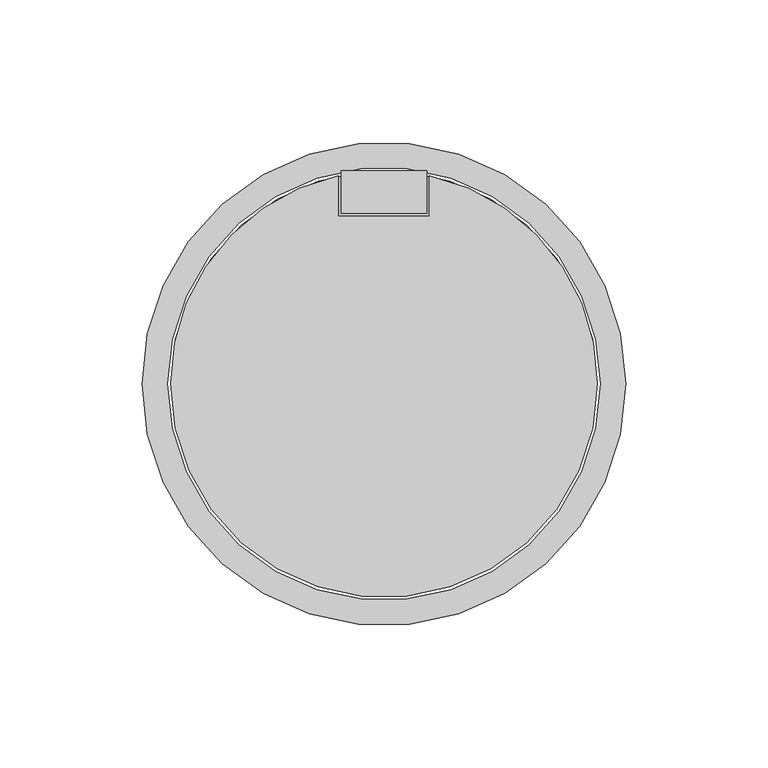
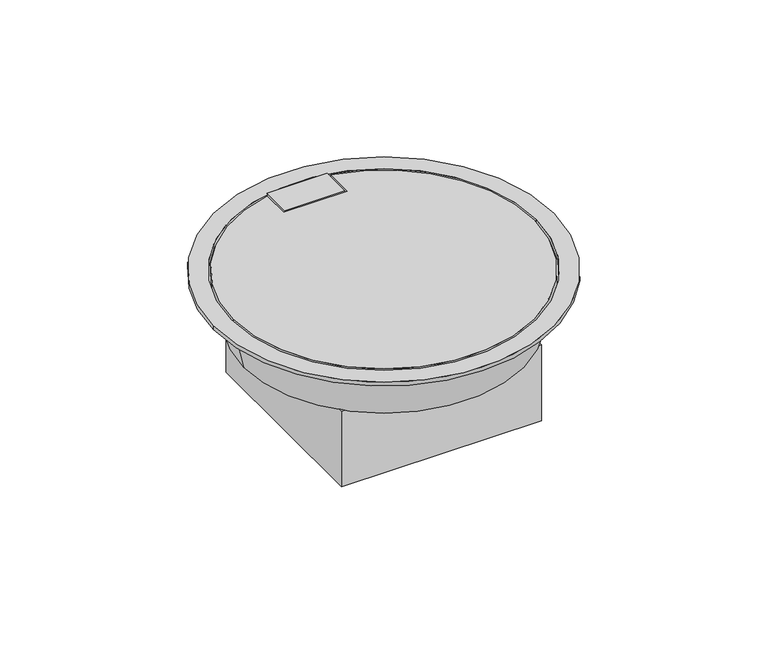
"""IFC4 building model written with IfcOpenShell, lengths in millimetres: outlet geometry."""

from ifc_helpers import new_model, si_unit, point, frame, origin, origin_with_axes, origin_2d, place, context, project, spatial, polyline, circle_curve, trimmed, segment, composite_curve, outline, extrude, faceted_brep, source, transform, mapped, element, save
from ifc_brep_helpers import plane_surface, revolved_surface, advanced_brep


def outlet_cd159df6(model_context):
    return source(origin(), model_context, "Body", "SolidModel", [
        faceted_brep([(50.0, 50.0, -25.0), (-50.0, 50.0, -25.0), (-50.0, -50.0, -25.0), (50.0, -50.0, -25.0), (-45.0, 22.5, -25.0), (45.0, 22.5, -25.0), (45.0, -22.5, -25.0), (-45.0, -22.5, -25.0), (50.0, 50.0, -65.0), (50.0, -50.0, -65.0), (-50.0, -50.0, -65.0), (-50.0, 50.0, -65.0), (45.0, 22.5, -43.0), (-45.0, 22.5, -43.0), (-45.0, -22.5, -43.0), (45.0, -22.5, -43.0)], [[[0, 1, 2, 3], [4, 5, 6, 7]], [[8, 9, 10, 11]], [[1, 0, 8, 11]], [[2, 1, 11, 10]], [[3, 2, 10, 9]], [[0, 3, 9, 8]], [[12, 13, 14, 15]], [[13, 12, 5, 4]], [[14, 13, 4, 7]], [[15, 14, 7, 6]], [[12, 15, 6, 5]]]),
        advanced_brep(
        [(-70.0, 0.0, -25.0), (70.0, 0.0, -25.0), (45.0, 22.5, -25.0), (-45.0, 22.5, -25.0), (-45.0, -22.5, -25.0), (45.0, -22.5, -25.0), (-75.0, 0.0, -3.0), (75.0, 0.0, -3.0), (-45.0, 22.5, -3.0), (45.0, 22.5, -3.0), (45.0, -22.5, -3.0), (-45.0, -22.5, -3.0)],
        [
            (0, 1, circle_curve(frame((0.0, 0.0, -25.0), z_axis=(0.0, 0.0, -1.0), x_axis=(-1.0, 0.0, 0.0)), 70.0)),
            (1, 0, circle_curve(frame((0.0, 0.0, -25.0), z_axis=(0.0, 0.0, -1.0), x_axis=(1.0, 0.0, 0.0)), 70.0)),
            (2, 3),
            (3, 4),
            (4, 5),
            (5, 2),
            (6, 7, circle_curve(frame((0.0, 0.0, -3.0), z_axis=(0.0, 0.0, 1.0), x_axis=(1.0, 0.0, 0.0)), 75.0)),
            (7, 6, circle_curve(frame((0.0, 0.0, -3.0), z_axis=(0.0, 0.0, 1.0), x_axis=(-1.0, 0.0, 0.0)), 75.0)),
            (8, 9),
            (9, 10),
            (10, 11),
            (11, 8),
            (0, 6),
            (7, 1),
            (2, 9),
            (8, 3),
            (11, 4),
            (10, 5),
        ],
        [
            plane_surface(frame((0.0, 0.0, -25.0), z_axis=(0.0, 0.0, -1.0), x_axis=(0.0, -1.0, 0.0))),
            plane_surface(frame((0.0, 0.0, -3.0), z_axis=(0.0, 0.0, 1.0), x_axis=(0.0, -1.0, 0.0))),
            revolved_surface(polyline([(-70.0, 0.0, -25.0), (-75.0, 0.0, -3.0)]), (0.0, 0.0, -333.0), (0.0, 0.0, 1.0)),
            revolved_surface(polyline([(70.0, 0.0, -25.0), (75.0, 0.0, -3.0)]), (0.0, 0.0, -333.0), (0.0, 0.0, 1.0)),
            plane_surface(frame((45.0, 22.5, -3.0), z_axis=(0.0, -1.0, 0.0), x_axis=(0.0, 0.0, -1.0))),
            plane_surface(frame((-45.0, 22.5, -3.0), z_axis=(1.0, 0.0, 0.0), x_axis=(0.0, 0.0, -1.0))),
            plane_surface(frame((-45.0, -22.5, -3.0), z_axis=(0.0, 1.0, 0.0), x_axis=(0.0, 0.0, -1.0))),
            plane_surface(frame((45.0, -22.5, -3.0), z_axis=(-1.0, 0.0, 0.0), x_axis=(0.0, 0.0, -1.0))),
        ],
        [
            (0, [[1, 2], [3, 4, 5, 6]]),
            (1, [[7, 8], [9, 10, 11, 12]]),
            (2, [[-1, 13, -8, 14]]),
            (3, [[-2, -14, -7, -13]]),
            (4, [[15, -9, 16, -3]]),
            (5, [[-16, -12, 17, -4]]),
            (6, [[-17, -11, 18, -5]]),
            (7, [[-15, -6, -18, -10]]),
        ],
    ),
        extrude(outline(composite_curve([segment(trimmed(circle_curve(origin_2d(), 75.0), [point((75.0, 0.0))], [point((-75.0, 0.0))], False, "CARTESIAN"), True, "CONTINUOUS"), segment(trimmed(circle_curve(origin_2d(), 75.0), [point((-75.0, 0.0))], [point((-16.0, 73.2734604))], False, "CARTESIAN"), True, "CONTINUOUS"), segment(polyline([(-16.0, 73.2734604), (-16.0, 59.0), (16.0, 59.0), (16.0, 73.2734604)]), True, "CONTINUOUS"), segment(trimmed(circle_curve(origin_2d(), 75.0), [point((16.0, 73.2734604))], [point((75.0, 0.0))], False, "CARTESIAN"), True, "CONTINUOUS")], self_intersect=False)), frame((0.0, 0.0, -3.0), z_axis=(0.0, 0.0, 1.0), x_axis=(1.0, 0.0, 0.0)), (0.0, 0.0, 1.0), 5.0),
        extrude(outline(polyline([(15.0, 75.0), (15.0, 60.0), (-15.0, 60.0), (-15.0, 75.0), (15.0, 75.0)])), frame((0.0, 0.0, -3.0), z_axis=(0.0, 0.0, 1.0), x_axis=(1.0, 0.0, 0.0)), (0.0, 0.0, 1.0), 5.0),
        extrude(outline(composite_curve([segment(trimmed(circle_curve(origin_2d(), 85.0), [point((-85.0, 0.0))], [point((85.0, 0.0))], False, "CARTESIAN"), True, "CONTINUOUS"), segment(trimmed(circle_curve(origin_2d(), 85.0), [point((85.0, 0.0))], [point((-85.0, 0.0))], False, "CARTESIAN"), True, "CONTINUOUS")], self_intersect=False), holes=[composite_curve([segment(trimmed(circle_curve(origin_2d(), 76.0), [point((-76.0, 0.0))], [point((76.0, 0.0))], True, "CARTESIAN"), True, "CONTINUOUS"), segment(trimmed(circle_curve(origin_2d(), 76.0), [point((76.0, 0.0))], [point((-76.0, 0.0))], True, "CARTESIAN"), True, "CONTINUOUS")], self_intersect=False)]), origin_with_axes(), (0.0, 0.0, 1.0), 2.0),
    ])


if __name__ == "__main__":
    model = new_model("IFC4")
    model_context = context("Model", 3, world=origin())
    ifc_project = project(units=[si_unit("LENGTHUNIT", "METRE", prefix="MILLI")], contexts=[model_context])
    site = spatial("IfcSite", under=ifc_project)
    building = spatial("IfcBuilding", under=site)
    placement = place(None, origin())
    outlet_shape = outlet_cd159df6(model_context)
    element("IfcOutlet", 1, at=placement, inside=building, context=model_context, shape_type="MappedRepresentation", body=[
        mapped(outlet_shape, transform((0.0, 0.0, 0.0), x_axis=(1.0, 0.0, 0.0), y_axis=(0.0, 1.0, 0.0), z_axis=(0.0, 0.0, 1.0))),
    ])
    save(model, "model.ifc")
